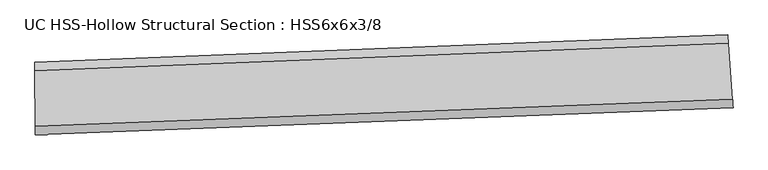
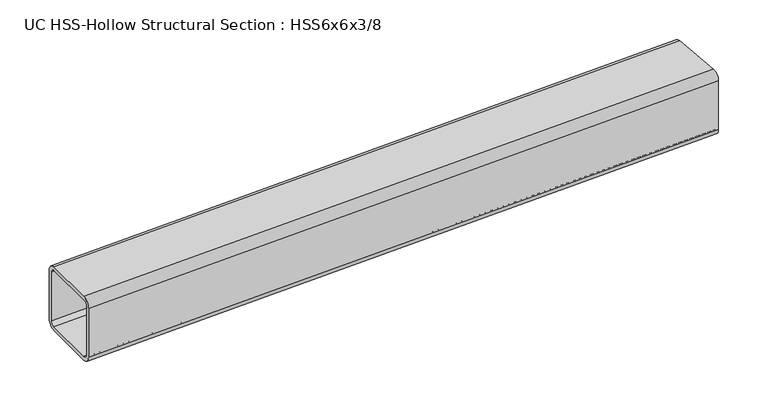
"""IFC4 building model written with IfcOpenShell, lengths in millimetres: beam geometry, UC HSS-Hollow Structural Section : HSS6x6x3/8."""

import ifcopenshell
import ifcopenshell.guid

model = None  # the IFC model being written
_history = None  # IfcOwnerHistory: only IFC2X3 demands one
_inside = {}  # id of a spatial element -> (the spatial element, [elements in it])
_under = {}  # id of a project, library or spatial element -> (it, [spatial elements below it])
_declared = {}  # id of a project -> (the project, [libraries it declares])
_typed = {}  # id of a type object -> (the type object, [elements of that type])
_made_of = {}  # id of a material, layer set ... -> (it, [elements and type objects made of it])


def new_model(schema):
    """Start an empty IFC model of exactly this schema.

    Asked for "IFC4X3", IfcOpenShell would pick the latest addendum, in which some entities
    have other attributes; the version numbers below select the first issue.
    IFC2X3 requires an IfcOwnerHistory on every rooted entity: one is made here for all.
    """
    global model, _history
    if schema == "IFC4X3":
        model = ifcopenshell.file(schema_version=(4, 3, 0, 0))
    else:
        model = ifcopenshell.file(schema=schema)
    _inside.clear()
    _under.clear()
    _declared.clear()
    _typed.clear()
    _made_of.clear()
    _history = None
    if model.schema == "IFC2X3":
        org = make("IfcOrganization", Name="unknown")
        user = make(
            "IfcPersonAndOrganization",
            ThePerson=make("IfcPerson", FamilyName="unknown"),
            TheOrganization=org,
        )
        app = make(
            "IfcApplication",
            ApplicationDeveloper=org,
            Version="unknown",
            ApplicationFullName="unknown",
            ApplicationIdentifier="unknown",
        )
        _history = make(
            "IfcOwnerHistory",
            OwningUser=user,
            OwningApplication=app,
            ChangeAction="ADDED",
            CreationDate=0,
        )
    return model


def make(cls, **values):
    """One entity of the class cls with the attributes given. An attribute that is None is left unset."""
    return model.create_entity(
        cls, **{name: value for name, value in values.items() if value is not None}
    )


def rooted(cls, **values):
    """An entity with a GlobalId (a new one), such as an element, a storey or a relation."""
    return make(cls, GlobalId=ifcopenshell.guid.new(), OwnerHistory=_history, **values)


def si_unit(unit_type, name, prefix=None):
    """IfcSIUnit, for example si_unit("LENGTHUNIT", "METRE", prefix="MILLI")."""
    return make("IfcSIUnit", UnitType=unit_type, Prefix=prefix, Name=name)


def assignment(units):
    """IfcUnitAssignment: the units of a project."""
    return None if units is None else make("IfcUnitAssignment", Units=units)


def point(xyz):
    """IfcCartesianPoint."""
    return None if xyz is None else make("IfcCartesianPoint", Coordinates=xyz)


def direction(xyz):
    """IfcDirection."""
    return None if xyz is None else make("IfcDirection", DirectionRatios=xyz)


def frame(location, z_axis=None, x_axis=None):
    """IfcAxis2Placement3D, a coordinate frame: its origin and axes. An axis left out is left unset."""
    return make(
        "IfcAxis2Placement3D",
        Location=point(location),
        Axis=direction(z_axis),
        RefDirection=direction(x_axis),
    )


def origin():
    """The frame at (0, 0, 0) with its axes left unset."""
    return frame((0.0, 0.0, 0.0))


def place(relative_to, where):
    """IfcLocalPlacement: puts the frame where relative to a parent placement (None: the world)."""
    return make(
        "IfcLocalPlacement", PlacementRelTo=relative_to, RelativePlacement=where
    )


def context(
    kind, dimensions, precision=None, world=None, true_north=None, identifier=None
):
    """IfcGeometricRepresentationContext, for example the 3D "Model" context."""
    return make(
        "IfcGeometricRepresentationContext",
        ContextIdentifier=identifier,
        ContextType=kind,
        CoordinateSpaceDimension=dimensions,
        Precision=precision,
        WorldCoordinateSystem=world,
        TrueNorth=true_north,
    )


def project(units=None, contexts=None):
    """IfcProject with its units and contexts."""
    return rooted(
        "IfcProject",
        Name="project",
        RepresentationContexts=contexts,
        UnitsInContext=assignment(units),
    )


def spatial(cls, under=None, at=None, **own):
    """A site, building, storey or space (cls), placed at a placement, below another one or the project."""
    s = rooted(cls, ObjectPlacement=at, **own)
    if under is not None:
        _under.setdefault(under.id(), (under, []))[1].append(s)
    return s


def polyline(points):
    """IfcPolyline through the points."""
    return make("IfcPolyline", Points=[point(p) for p in points])


def circle_curve(where, radius):
    """IfcCircle in the frame where."""
    return make("IfcCircle", Position=where, Radius=radius)


def ellipse_curve(where, semi_axis1, semi_axis2):
    """IfcEllipse in the frame where."""
    return make(
        "IfcEllipse", Position=where, SemiAxis1=semi_axis1, SemiAxis2=semi_axis2
    )


def trimmed(basis, trim1, trim2, sense, master):
    """IfcTrimmedCurve: the piece of a basis curve between two trims."""
    return make(
        "IfcTrimmedCurve",
        BasisCurve=basis,
        Trim1=trim1,
        Trim2=trim2,
        SenseAgreement=sense,
        MasterRepresentation=master,
    )


def shape(context_of_items, identifier, shape_type, items):
    """IfcShapeRepresentation: the items that make up one representation, for example the "Body"."""
    return make(
        "IfcShapeRepresentation",
        ContextOfItems=context_of_items,
        RepresentationIdentifier=identifier,
        RepresentationType=shape_type,
        Items=items,
    )


def source(mapping_origin, context_of_items, identifier, shape_type, items):
    """IfcRepresentationMap: a shape defined once, which mapped items show again and again."""
    return make(
        "IfcRepresentationMap",
        MappingOrigin=mapping_origin,
        MappedRepresentation=shape(context_of_items, identifier, shape_type, items),
    )


def transform(
    local_origin,
    x_axis=None,
    y_axis=None,
    z_axis=None,
    scale=None,
    scale2=None,
    scale3=None,
    uniform=True,
):
    """IfcCartesianTransformationOperator3D, or its non-uniform kind. x_axis, y_axis, z_axis: its Axis1, 2, 3."""
    if uniform:
        return make(
            "IfcCartesianTransformationOperator3D",
            Axis1=direction(x_axis),
            Axis2=direction(y_axis),
            LocalOrigin=point(local_origin),
            Scale=scale,
            Axis3=direction(z_axis),
        )
    return make(
        "IfcCartesianTransformationOperator3DnonUniform",
        Axis1=direction(x_axis),
        Axis2=direction(y_axis),
        LocalOrigin=point(local_origin),
        Scale=scale,
        Axis3=direction(z_axis),
        Scale2=scale2,
        Scale3=scale3,
    )


def mapped(mapping_source, mapping_target):
    """IfcMappedItem: shows the shape of a source again, moved by a transform."""
    return make(
        "IfcMappedItem", MappingSource=mapping_source, MappingTarget=mapping_target
    )


def made_of(thing, what):
    """Note that an element or type object is made of a material, layer set ...; save() writes the relation."""
    if what is not None:
        _made_of.setdefault(what.id(), (what, []))[1].append(thing)
    return thing


def element(
    cls,
    number,
    at=None,
    inside=None,
    cuts=None,
    type_object=None,
    material=None,
    context=None,
    identifier="Body",
    shape_type=None,
    held_by="IfcProductDefinitionShape",
    body=None,
    shapes=None,
    **own,
):
    """One element of the class cls, such as IfcWall. Its Tag is "e" and its number.

    at: its placement. inside: the storey or other place that contains it. cuts: it is an
    opening in that element (IfcRelVoidsElement). A single representation is given by context,
    identifier, shape_type and body (its items); several are given by shapes. held_by: the class
    of the entity that holds the representations. save() writes the other relations.
    """
    e = rooted(cls, Tag="e%d" % number, ObjectPlacement=at, **own)
    if body is not None:
        shapes = [shape(context, identifier, shape_type, body)]
    if shapes is not None:
        e.Representation = make(held_by, Representations=shapes)
    if inside is not None:
        _inside.setdefault(inside.id(), (inside, []))[1].append(e)
    if cuts is not None:
        rooted(
            "IfcRelVoidsElement", RelatingBuildingElement=cuts, RelatedOpeningElement=e
        )
    if type_object is not None:
        _typed.setdefault(type_object.id(), (type_object, []))[1].append(e)
    return made_of(e, material)


def aggregate(whole, parts):
    """IfcRelAggregates: a whole, such as a stair, and the parts it consists of."""
    return rooted("IfcRelAggregates", RelatingObject=whole, RelatedObjects=parts)


def save(model, path):
    """Write the relations noted so far, then the file.

    IfcRelAggregates (storeys below a building ...), IfcRelContainedInSpatialStructure (elements
    in a storey), IfcRelDefinesByType, IfcRelAssociatesMaterial and IfcRelDeclares: one each for
    every whole, place, type object, material and project.
    """
    for whole, parts in _under.values():
        aggregate(whole, parts)
    for where, things in _inside.values():
        rooted(
            "IfcRelContainedInSpatialStructure",
            RelatedElements=things,
            RelatingStructure=where,
        )
    for kind, things in _typed.values():
        rooted("IfcRelDefinesByType", RelatedObjects=things, RelatingType=kind)
    for what, things in _made_of.values():
        rooted("IfcRelAssociatesMaterial", RelatedObjects=things, RelatingMaterial=what)
    for by, libraries in _declared.values():
        rooted("IfcRelDeclares", RelatingContext=by, RelatedDefinitions=libraries)
    model.write(path)


def plane_surface(at):
    """IfcPlane: the flat surface through the origin of the frame at, square to its z axis."""
    return make("IfcPlane", Position=at)


def cylinder_surface(at, radius):
    """IfcCylindricalSurface: all points at the distance radius from the z axis of the frame at."""
    return make("IfcCylindricalSurface", Position=at, Radius=radius)


def revolved_surface(curve, axis_point, axis_direction):
    """IfcSurfaceOfRevolution: the curve turned about the line through axis_point along axis_direction."""
    return make(
        "IfcSurfaceOfRevolution",
        SweptCurve=make("IfcArbitraryOpenProfileDef", ProfileType="CURVE", Curve=curve),
        AxisPosition=make("IfcAxis1Placement", Location=point(axis_point), Axis=direction(axis_direction)),
    )


def advanced_brep(points, edges, surfaces, faces):
    """IfcAdvancedBrep: a solid bounded by faces that lie on surfaces and meet in shared edges.

    An edge is (start, end): straight between two places in points (the first is 0);
    or (start, end, curve); or (start, end, curve, False) where it runs against its curve.
    A face is (place in surfaces, loops), or (place, loops, False) where it looks against
    its surface's normal. A loop lists edges by number (the first is 1), with a minus sign
    where the edge is run from its end to its start. The first loop is the outer one.
    """
    corners = [point(p) for p in points]
    vertices = [make("IfcVertexPoint", VertexGeometry=c) for c in corners]
    made = []
    for start, end, *more in edges:
        made.append(
            make(
                "IfcEdgeCurve",
                EdgeStart=vertices[start],
                EdgeEnd=vertices[end],
                EdgeGeometry=more[0] if more else make("IfcPolyline", Points=[corners[start], corners[end]]),
                SameSense=more[1] if len(more) > 1 else True,
            )
        )
    hull = []
    for where, loops, *sense in faces:
        bounds = []
        for j, loop in enumerate(loops):
            ring = [make("IfcOrientedEdge", EdgeElement=made[abs(k) - 1], Orientation=k > 0) for k in loop]
            bounds.append(
                make(
                    "IfcFaceOuterBound" if j == 0 else "IfcFaceBound",
                    Bound=make("IfcEdgeLoop", EdgeList=ring),
                    Orientation=True,
                )
            )
        hull.append(make("IfcAdvancedFace", Bounds=bounds, FaceSurface=surfaces[where], SameSense=sense[0] if sense else True))
    return make("IfcAdvancedBrep", Outer=make("IfcClosedShell", CfsFaces=hull))


def uc_hss_hollow_structural_section_hss6x6x3_8_4ca9feb4(model_context):
    return source(origin(), model_context, "Body", "AdvancedBrep", [
        advanced_brep(
        [(1533.2478493, -18.7686976, 58.4708), (1533.2478493, -18.7686976, -58.4708), (1531.9215348, -1.0891777, -76.2), (1523.1731794, 115.5247326, -76.2), (1521.8468648, 133.2042525, -58.4708), (1521.8468648, 133.2042525, 58.4708), (1523.1731794, 115.5247326, 76.2), (1531.9215348, -1.0891777, 76.2), (1523.1731794, 115.5247326, 67.3354), (1522.5100221, 124.3644926, 58.4708), (1522.5100221, 124.3644926, -58.4708), (1523.1731794, 115.5247326, -67.3354), (1531.9215348, -1.0891777, -67.3354), (1532.5846921, -9.9289376, -58.4708), (1532.5846921, -9.9289376, 58.4708), (1531.9215348, -1.0891777, 67.3354), (73.5028473, -76.0681972, 58.4708), (73.4392647, -58.3391112, 76.2), (73.0198745, 58.6017368, 76.2), (72.9562919, 76.3308228, 58.4708), (72.9562919, 76.3308228, -58.4708), (73.0198745, 58.6017368, -76.2), (73.4392647, -58.3391112, -76.2), (73.5028473, -76.0681972, -58.4708), (73.0198745, 58.6017368, 67.3354), (73.4392647, -58.3391112, 67.3354), (73.471056, -67.2036542, 58.4708), (73.471056, -67.2036542, -58.4708), (73.4392647, -58.3391112, -67.3354), (73.0198745, 58.6017368, -67.3354), (72.9880832, 67.4662798, -58.4708), (72.9880832, 67.4662798, 58.4708)],
        [
            (0, 1),
            (1, 2, circle_curve(frame((1531.9215348, -1.0891777, -58.4708), z_axis=(0.9971978350988616, 0.07480960950401906, 0.0), x_axis=(-0.07480960950401906, 0.9971978350988616, 0.0)), 17.7292)),
            (2, 3),
            (3, 4, circle_curve(frame((1523.1731794, 115.5247326, -58.4708), z_axis=(0.9971978350988616, 0.07480960950401906, 0.0), x_axis=(-0.07480960950401906, 0.9971978350988616, 0.0)), 17.7292)),
            (4, 5),
            (5, 6, circle_curve(frame((1523.1731794, 115.5247326, 58.4708), z_axis=(0.9971978350988616, 0.07480960950401906, 0.0), x_axis=(-0.07480960950401906, 0.9971978350988616, 0.0)), 17.7292)),
            (6, 7),
            (7, 0, circle_curve(frame((1531.9215348, -1.0891777, 58.4708), z_axis=(0.9971978350988616, 0.07480960950401906, 0.0), x_axis=(-0.07480960950401906, 0.9971978350988616, 0.0)), 17.7292)),
            (8, 9, circle_curve(frame((1523.1731794, 115.5247326, 58.4708), z_axis=(-0.9971978350988616, -0.07480960950401906, 0.0), x_axis=(-0.07480960950401906, 0.9971978350988616, 0.0)), 8.8646)),
            (9, 10),
            (10, 11, circle_curve(frame((1523.1731794, 115.5247326, -58.4708), z_axis=(-0.9971978350988616, -0.07480960950401906, 0.0), x_axis=(-0.07480960950401906, 0.9971978350988616, 0.0)), 8.8646)),
            (11, 12),
            (12, 13, circle_curve(frame((1531.9215348, -1.0891777, -58.4708), z_axis=(-0.9971978350988616, -0.07480960950401906, 0.0), x_axis=(-0.07480960950401906, 0.9971978350988616, 0.0)), 8.8646)),
            (13, 14),
            (14, 15, circle_curve(frame((1531.9215348, -1.0891777, 58.4708), z_axis=(-0.9971978350988616, -0.07480960950401906, 0.0), x_axis=(-0.07480960950401906, 0.9971978350988616, 0.0)), 8.8646)),
            (15, 8),
            (16, 17, circle_curve(frame((73.4392647, -58.3391112, 58.4708), z_axis=(-0.9999935691293671, -0.003586321222338637, 0.0), x_axis=(-0.003586321222338637, 0.9999935691293671, 0.0)), 17.7292)),
            (17, 18),
            (18, 19, circle_curve(frame((73.0198745, 58.6017368, 58.4708), z_axis=(-0.9999935691293671, -0.003586321222338637, 0.0), x_axis=(-0.003586321222338637, 0.9999935691293671, 0.0)), 17.7292)),
            (19, 20),
            (20, 21, circle_curve(frame((73.0198745, 58.6017368, -58.4708), z_axis=(-0.9999935691293671, -0.003586321222338637, 0.0), x_axis=(-0.003586321222338637, 0.9999935691293671, 0.0)), 17.7292)),
            (21, 22),
            (22, 23, circle_curve(frame((73.4392647, -58.3391112, -58.4708), z_axis=(-0.9999935691293671, -0.003586321222338637, 0.0), x_axis=(-0.003586321222338637, 0.9999935691293671, 0.0)), 17.7292)),
            (23, 16),
            (24, 25),
            (25, 26, circle_curve(frame((73.4392647, -58.3391112, 58.4708), z_axis=(0.9999935691293671, 0.003586321222338637, 0.0), x_axis=(-0.003586321222338637, 0.9999935691293671, 0.0)), 8.8646)),
            (26, 27),
            (27, 28, circle_curve(frame((73.4392647, -58.3391112, -58.4708), z_axis=(0.9999935691293671, 0.003586321222338637, 0.0), x_axis=(-0.003586321222338637, 0.9999935691293671, 0.0)), 8.8646)),
            (28, 29),
            (29, 30, circle_curve(frame((73.0198745, 58.6017368, -58.4708), z_axis=(0.9999935691293671, 0.003586321222338637, 0.0), x_axis=(-0.003586321222338637, 0.9999935691293671, 0.0)), 8.8646)),
            (30, 31),
            (31, 24, circle_curve(frame((73.0198745, 58.6017368, 58.4708), z_axis=(0.9999935691293671, 0.003586321222338637, 0.0), x_axis=(-0.003586321222338637, 0.9999935691293671, 0.0)), 8.8646)),
            (7, 17, circle_curve(frame((0.0, 20419.1328788, 76.2), z_axis=(0.0, 0.0, -1.0), x_axis=(-0.09625855551847158, 0.9953563635650788, 0.0)), 20477.6036788)),
            (16, 0, circle_curve(frame((0.0, 20419.1328788, 58.4708), z_axis=(0.0, 0.0, 1.0), x_axis=(-0.09625855551847158, 0.9953563635650788, 0.0)), 20495.3328788)),
            (6, 18, circle_curve(frame((0.0, 20419.1328788, 76.2), z_axis=(0.0, 0.0, -1.0), x_axis=(-0.09625855551847158, 0.9953563635650788, 0.0)), 20360.6620788)),
            (5, 19, circle_curve(frame((0.0, 20419.1328788, 58.4708), z_axis=(0.0, 0.0, -1.0), x_axis=(-0.09625855551847158, 0.9953563635650788, 0.0)), 20342.9328788)),
            (4, 20, circle_curve(frame((0.0, 20419.1328788, -58.4708), z_axis=(0.0, 0.0, -1.0), x_axis=(-0.09625855551847158, 0.9953563635650788, 0.0)), 20342.9328788)),
            (3, 21, circle_curve(frame((0.0, 20419.1328788, -76.2), z_axis=(0.0, 0.0, -1.0), x_axis=(-0.09625855551847158, 0.9953563635650788, 0.0)), 20360.6620788)),
            (2, 22, circle_curve(frame((0.0, 20419.1328788, -76.2), z_axis=(0.0, 0.0, -1.0), x_axis=(-0.09625855551847158, 0.9953563635650788, 0.0)), 20477.6036788)),
            (1, 23, circle_curve(frame((0.0, 20419.1328788, -58.4708), z_axis=(0.0, 0.0, -1.0), x_axis=(-0.09625855551847158, 0.9953563635650788, 0.0)), 20495.3328788)),
            (15, 25, circle_curve(frame((0.0, 20419.1328788, 67.3354), z_axis=(0.0, 0.0, -1.0), x_axis=(-0.09625855551847158, 0.9953563635650788, 0.0)), 20477.6036788)),
            (24, 8, circle_curve(frame((0.0, 20419.1328788, 67.3354), z_axis=(0.0, 0.0, 1.0), x_axis=(-0.09625855551847158, 0.9953563635650788, 0.0)), 20360.6620788)),
            (14, 26, circle_curve(frame((0.0, 20419.1328788, 58.4708), z_axis=(0.0, 0.0, -1.0), x_axis=(-0.09625855551847158, 0.9953563635650788, 0.0)), 20486.4682788)),
            (13, 27, circle_curve(frame((0.0, 20419.1328788, -58.4708), z_axis=(0.0, 0.0, -1.0), x_axis=(-0.09625855551847158, 0.9953563635650788, 0.0)), 20486.4682788)),
            (12, 28, circle_curve(frame((0.0, 20419.1328788, -67.3354), z_axis=(0.0, 0.0, -1.0), x_axis=(-0.09625855551847158, 0.9953563635650788, 0.0)), 20477.6036788)),
            (11, 29, circle_curve(frame((0.0, 20419.1328788, -67.3354), z_axis=(0.0, 0.0, -1.0), x_axis=(-0.09625855551847158, 0.9953563635650788, 0.0)), 20360.6620788)),
            (10, 30, circle_curve(frame((0.0, 20419.1328788, -58.4708), z_axis=(0.0, 0.0, -1.0), x_axis=(-0.09625855551847158, 0.9953563635650788, 0.0)), 20351.7974788)),
            (9, 31, circle_curve(frame((0.0, 20419.1328788, 58.4708), z_axis=(0.0, 0.0, -1.0), x_axis=(-0.09625855551847158, 0.9953563635650788, 0.0)), 20351.7974788)),
        ],
        [
            plane_surface(frame((1527.5473571, 57.2177775, 0.0), z_axis=(0.9971978350988611, 0.0748096095040255, 0.0), x_axis=(0.0, 0.0, 1.0))),
            plane_surface(frame((73.2295696, 0.1313128, 0.0), z_axis=(-0.9999935691293671, -0.00358632122234509, 0.0), x_axis=(0.0, 0.0, 1.0))),
            revolved_surface(trimmed(ellipse_curve(frame((-1971.1445506, 40801.6460111, 58.4708), z_axis=(-0.9953563635650795, -0.09625855551846471, 0.0), x_axis=(0.09625855551846471, -0.9953563635650795, 0.0)), 17.7292, 17.7292), [point((-1971.1445506, 40801.6460111, 76.2))], [point((-1972.8511378, 40819.2928831, 58.4708))], True, "CARTESIAN"), (0.0, 20419.1328788, 0.0), (0.0, 0.0, -1.0000000000000002)),
            plane_surface(frame((0.0, 20419.1328788, 76.2), z_axis=(0.0, 0.0, 1.0000000000000002), x_axis=(-0.09625855551847158, 0.9953563635650788, 0.0))),
            revolved_surface(trimmed(ellipse_curve(frame((-1959.8879211, 40685.2474453, 58.4708), z_axis=(-0.9953563635650795, -0.09625855551846471, 0.0), x_axis=(0.09625855551846471, -0.9953563635650795, 0.0)), 17.7292, 17.7292), [point((-1958.1813339, 40667.6005733, 58.4708))], [point((-1959.8879211, 40685.2474453, 76.2))], True, "CARTESIAN"), (0.0, 20419.1328788, 0.0), (0.0, 0.0, -1.0000000000000002)),
            revolved_surface(polyline([(-1958.1813339225105, 40667.600573290845, -58.470800000000025), (-1958.1813339225105, 40667.600573290845, 58.470800000000025)]), (0.0, 20419.1328788, 0.0), (0.0, 0.0, -1.0000000000000002)),
            revolved_surface(trimmed(ellipse_curve(frame((-1959.8879211, 40685.2474453, -58.4708), z_axis=(-0.9953563635650795, -0.09625855551846471, 0.0), x_axis=(0.09625855551846471, -0.9953563635650795, 0.0)), 17.7292, 17.7292), [point((-1959.8879211, 40685.2474453, -76.2))], [point((-1958.1813339, 40667.6005733, -58.4708))], True, "CARTESIAN"), (0.0, 20419.1328788, 0.0), (0.0, 0.0, -1.0000000000000002)),
            plane_surface(frame((0.0, 20419.1328788, -76.2), z_axis=(0.0, 0.0, -1.0000000000000002), x_axis=(-0.09625855551847158, 0.9953563635650788, 0.0))),
            revolved_surface(trimmed(ellipse_curve(frame((-1971.1445506, 40801.6460111, -58.4708), z_axis=(-0.9953563635650795, -0.09625855551846471, 0.0), x_axis=(0.09625855551846471, -0.9953563635650795, 0.0)), 17.7292, 17.7292), [point((-1972.8511378, 40819.2928831, -58.4708))], [point((-1971.1445506, 40801.6460111, -76.2))], True, "CARTESIAN"), (0.0, 20419.1328788, 0.0), (0.0, 0.0, -1.0000000000000002)),
            cylinder_surface(frame((0.0, 20419.1328788, 0.0), z_axis=(0.0, 0.0, -1.0000000000000002), x_axis=(-0.09625855551847158, 0.9953563635650788, 0.0)), 20495.3328788),
            plane_surface(frame((0.0, 20419.1328788, 67.3354), z_axis=(0.0, 0.0, -1.0000000000000002), x_axis=(-0.09625855551847158, 0.9953563635650788, 0.0))),
            revolved_surface(trimmed(ellipse_curve(frame((-1971.1445506, 40801.6460111, 58.4708), z_axis=(0.9953563635650795, 0.09625855551846471, 0.0), x_axis=(0.09625855551846471, -0.9953563635650795, 0.0)), 8.8646, 8.8646), [point((-1971.9978442, 40810.4694471, 58.4708))], [point((-1971.1445506, 40801.6460111, 67.3354))], True, "CARTESIAN"), (0.0, 20419.1328788, 0.0), (0.0, 0.0, -1.0000000000000002)),
            revolved_surface(polyline([(-1971.9978441922767, 40810.4694470777, -58.470800000000025), (-1971.9978441922767, 40810.4694470777, 58.470800000000025)]), (0.0, 20419.1328788, 0.0), (0.0, 0.0, -1.0000000000000002)),
            revolved_surface(trimmed(ellipse_curve(frame((-1971.1445506, 40801.6460111, -58.4708), z_axis=(0.9953563635650795, 0.09625855551846471, 0.0), x_axis=(0.09625855551846471, -0.9953563635650795, 0.0)), 8.8646, 8.8646), [point((-1971.1445506, 40801.6460111, -67.3354))], [point((-1971.9978442, 40810.4694471, -58.4708))], True, "CARTESIAN"), (0.0, 20419.1328788, 0.0), (0.0, 0.0, -1.0000000000000002)),
            plane_surface(frame((0.0, 20419.1328788, -67.3354), z_axis=(0.0, 0.0, 1.0000000000000002), x_axis=(-0.09625855551847158, 0.9953563635650788, 0.0))),
            revolved_surface(trimmed(ellipse_curve(frame((-1959.8879211, 40685.2474453, -58.4708), z_axis=(0.9953563635650795, 0.09625855551846471, 0.0), x_axis=(0.09625855551846471, -0.9953563635650795, 0.0)), 8.8646, 8.8646), [point((-1959.0346275, 40676.4240093, -58.4708))], [point((-1959.8879211, 40685.2474453, -67.3354))], True, "CARTESIAN"), (0.0, 20419.1328788, 0.0), (0.0, 0.0, -1.0000000000000002)),
            cylinder_surface(frame((0.0, 20419.1328788, 0.0), z_axis=(0.0, 0.0, -1.0000000000000002), x_axis=(-0.09625855551847158, 0.9953563635650788, 0.0)), 20351.7974788),
            revolved_surface(trimmed(ellipse_curve(frame((-1959.8879211, 40685.2474453, 58.4708), z_axis=(0.9953563635650795, 0.09625855551846471, 0.0), x_axis=(0.09625855551846471, -0.9953563635650795, 0.0)), 8.8646, 8.8646), [point((-1959.8879211, 40685.2474453, 67.3354))], [point((-1959.0346275, 40676.4240093, 58.4708))], True, "CARTESIAN"), (0.0, 20419.1328788, 0.0), (0.0, 0.0, -1.0000000000000002)),
        ],
        [
            (0, [[1, 2, 3, 4, 5, 6, 7, 8], [9, 10, 11, 12, 13, 14, 15, 16]]),
            (1, [[17, 18, 19, 20, 21, 22, 23, 24], [25, 26, 27, 28, 29, 30, 31, 32]]),
            (2, [[33, -17, 34, -8]]),
            (3, [[35, -18, -33, -7]]),
            (4, [[36, -19, -35, -6]]),
            (5, [[37, -20, -36, -5]]),
            (6, [[38, -21, -37, -4]]),
            (7, [[39, -22, -38, -3]]),
            (8, [[40, -23, -39, -2]]),
            (9, [[-34, -24, -40, -1]]),
            (10, [[41, -25, 42, -16]]),
            (11, [[43, -26, -41, -15]]),
            (12, [[44, -27, -43, -14]]),
            (13, [[45, -28, -44, -13]]),
            (14, [[46, -29, -45, -12]]),
            (15, [[47, -30, -46, -11]]),
            (16, [[48, -31, -47, -10]]),
            (17, [[-42, -32, -48, -9]]),
        ],
    ),
    ])


if __name__ == "__main__":
    model = new_model("IFC4")
    model_context = context("Model", 3, world=origin())
    ifc_project = project(units=[si_unit("LENGTHUNIT", "METRE", prefix="MILLI")], contexts=[model_context])
    site = spatial("IfcSite", under=ifc_project)
    building = spatial("IfcBuilding", under=site)
    placement = place(None, origin())
    uc_hss_hollow_structural_section_hss6x6x3_8_shape = uc_hss_hollow_structural_section_hss6x6x3_8_4ca9feb4(model_context)
    element("IfcBeam", 1, ObjectType="UC HSS-Hollow Structural Section : HSS6x6x3/8", at=placement, inside=building, context=model_context, shape_type="MappedRepresentation", body=[
        mapped(uc_hss_hollow_structural_section_hss6x6x3_8_shape, transform((0.0, 0.0, 0.0), x_axis=(1.0, 0.0, 0.0), y_axis=(0.0, 1.0, 0.0), z_axis=(0.0, 0.0, 1.0))),
    ])
    save(model, "model.ifc")
